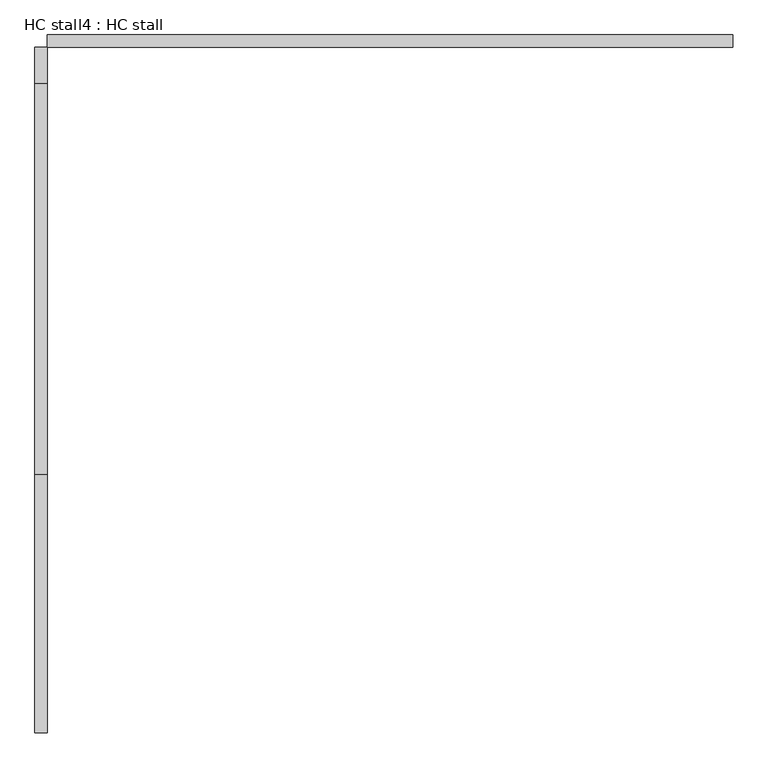
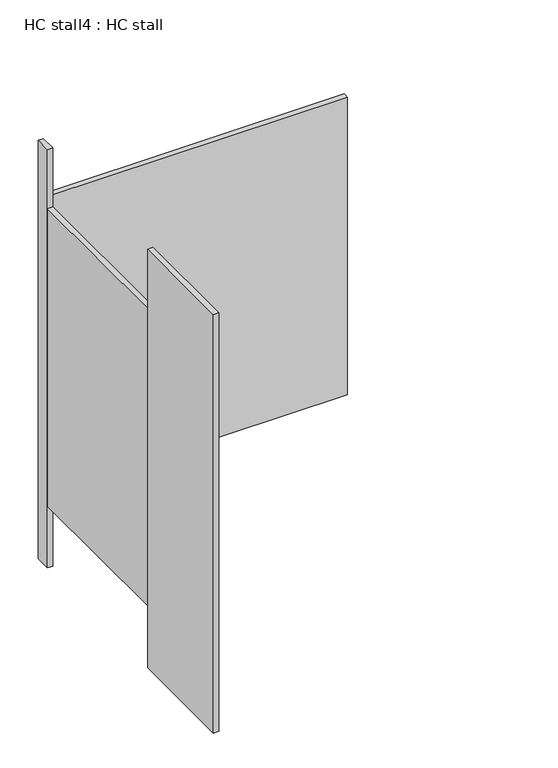
"""IFC4 building model written with IfcOpenShell, lengths in millimetres: proxy geometry, HC stall4 : HC stall."""

from ifc_helpers import new_model, si_unit, frame, origin, origin_with_axes, place, context, project, spatial, polyline, outline, extrude, source, transform, mapped, element, save


def hc_stall4_hc_stall_3e68ef6d(model_context):
    return source(origin(), model_context, "Body", "SweptSolid", [
        extrude(outline(polyline([(456080.6004676, -280912.0738632), (456080.6004676, -280937.4738632), (454658.2004676, -280937.4738632), (454658.2004676, -280912.0738632), (456080.6004676, -280912.0738632)])), frame((0.0, 0.0, 304.8), z_axis=(0.0, 0.0, 1.0), x_axis=(1.0, 0.0, 0.0)), (0.0, 0.0, 1.0), 1473.2),
        extrude(outline(polyline([(454658.2004676, -281824.8863632), (454658.2004676, -282359.8738632), (454632.8004676, -282359.8738632), (454632.8004676, -281824.8863632), (454658.2004676, -281824.8863632)])), origin_with_axes(), (0.0, 0.0, 1.0), 2070.1),
        extrude(outline(polyline([(454658.2004676, -280937.4738632), (454658.2004676, -281012.0863632), (454632.8004676, -281012.0863632), (454632.8004676, -280937.4738632), (454658.2004676, -280937.4738632)])), origin_with_axes(), (0.0, 0.0, 1.0), 2070.1),
        extrude(outline(polyline([(454658.2004676, -281012.0863632), (454658.2004676, -281824.8863632), (454632.8004676, -281824.8863632), (454632.8004676, -281012.0863632), (454658.2004676, -281012.0863632)])), frame((0.0, 0.0, 304.8), z_axis=(0.0, 0.0, 1.0), x_axis=(1.0, 0.0, 0.0)), (0.0, 0.0, 1.0), 1473.2),
    ])


if __name__ == "__main__":
    model = new_model("IFC4")
    model_context = context("Model", 3, world=origin())
    ifc_project = project(units=[si_unit("LENGTHUNIT", "METRE", prefix="MILLI")], contexts=[model_context])
    site = spatial("IfcSite", under=ifc_project)
    building = spatial("IfcBuilding", under=site)
    placement = place(None, origin())
    hc_stall4_hc_stall_shape = hc_stall4_hc_stall_3e68ef6d(model_context)
    element("IfcBuildingElementProxy", 1, Name="HC stall4 : HC stall", ObjectType="HC stall4 : HC stall", at=placement, inside=building, context=model_context, shape_type="MappedRepresentation", body=[
        mapped(hc_stall4_hc_stall_shape, transform((0.0, 0.0, 0.0), x_axis=(1.0, 0.0, 0.0), y_axis=(0.0, 1.0, 0.0), z_axis=(0.0, 0.0, 1.0))),
    ])
    save(model, "model.ifc")
